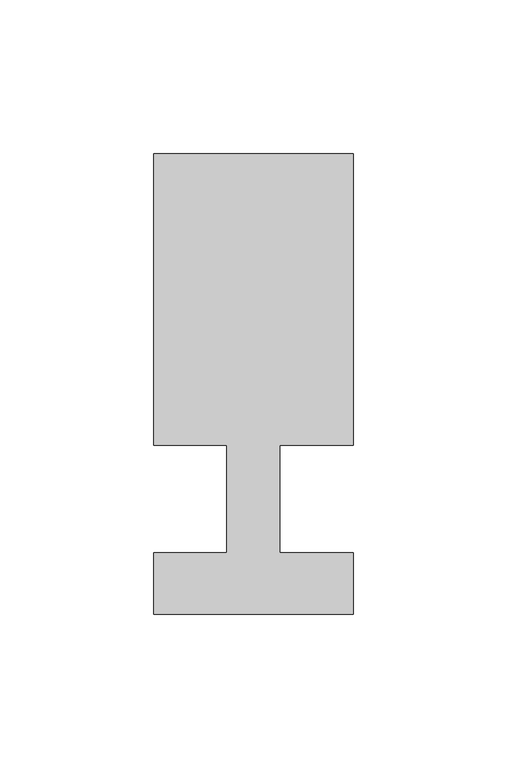
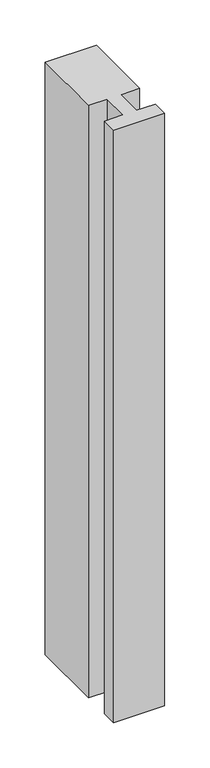
"""IFC4 building model written with IfcOpenShell, lengths in millimetres: member geometry."""

from ifc_helpers import new_model, si_unit, frame, origin, place, context, project, spatial, polyline, outline, extrude, source, transform, mapped, element, save


def member_1441d36a(model_context):
    return source(origin(), model_context, "Body", "SweptSolid", [
        extrude(outline(polyline([(-65.0, -37.0), (-65.0, -17.0), (-41.1875, -17.0), (-41.1875, 18.0), (-65.0, 18.0), (-65.0, 113.0), (0.0, 113.0), (0.0, 18.0), (-23.8125, 18.0), (-23.8125, -17.0), (0.0, -17.0), (0.0, -37.0), (-65.0, -37.0)])), frame((0.0, 0.0, -795.9422911), z_axis=(0.0, 0.0, 1.0), x_axis=(1.0, 0.0, 0.0)), (0.0, 0.0, 1.0), 795.9422911),
    ])


if __name__ == "__main__":
    model = new_model("IFC4")
    model_context = context("Model", 3, world=origin())
    ifc_project = project(units=[si_unit("LENGTHUNIT", "METRE", prefix="MILLI")], contexts=[model_context])
    site = spatial("IfcSite", under=ifc_project)
    building = spatial("IfcBuilding", under=site)
    placement = place(None, origin())
    member_shape = member_1441d36a(model_context)
    element("IfcMember", 1, at=placement, inside=building, context=model_context, shape_type="MappedRepresentation", body=[
        mapped(member_shape, transform((0.0, 0.0, 0.0), x_axis=(1.0, 0.0, 0.0), y_axis=(0.0, 1.0, 0.0), z_axis=(0.0, 0.0, 1.0))),
    ])
    save(model, "model.ifc")
